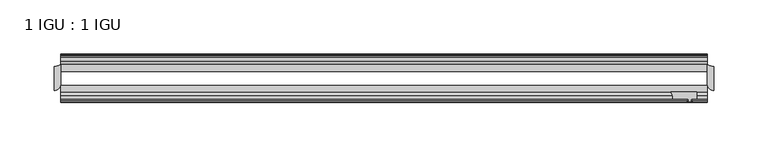
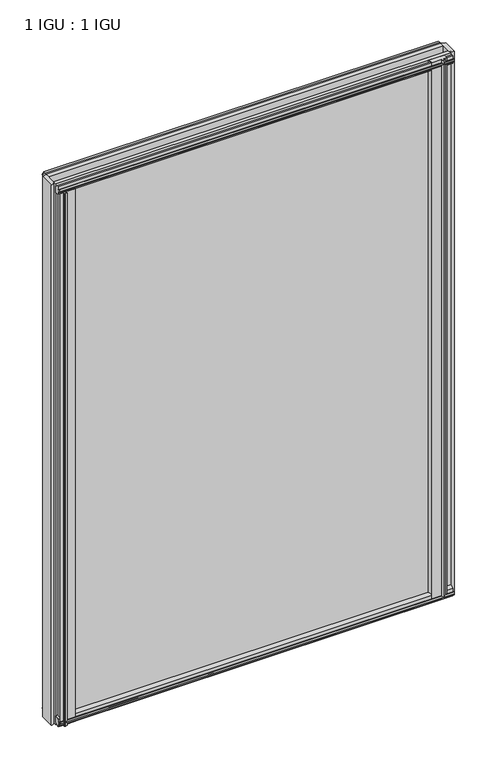
"""IFC4 building model written with IfcOpenShell, lengths in millimetres: plate geometry, 1 IGU : 1 IGU."""

import ifcopenshell
import ifcopenshell.guid

model = None  # the IFC model being written
_history = None  # IfcOwnerHistory: only IFC2X3 demands one
_inside = {}  # id of a spatial element -> (the spatial element, [elements in it])
_under = {}  # id of a project, library or spatial element -> (it, [spatial elements below it])
_declared = {}  # id of a project -> (the project, [libraries it declares])
_typed = {}  # id of a type object -> (the type object, [elements of that type])
_made_of = {}  # id of a material, layer set ... -> (it, [elements and type objects made of it])


def new_model(schema):
    """Start an empty IFC model of exactly this schema.

    Asked for "IFC4X3", IfcOpenShell would pick the latest addendum, in which some entities
    have other attributes; the version numbers below select the first issue.
    IFC2X3 requires an IfcOwnerHistory on every rooted entity: one is made here for all.
    """
    global model, _history
    if schema == "IFC4X3":
        model = ifcopenshell.file(schema_version=(4, 3, 0, 0))
    else:
        model = ifcopenshell.file(schema=schema)
    _inside.clear()
    _under.clear()
    _declared.clear()
    _typed.clear()
    _made_of.clear()
    _history = None
    if model.schema == "IFC2X3":
        org = make("IfcOrganization", Name="unknown")
        user = make(
            "IfcPersonAndOrganization",
            ThePerson=make("IfcPerson", FamilyName="unknown"),
            TheOrganization=org,
        )
        app = make(
            "IfcApplication",
            ApplicationDeveloper=org,
            Version="unknown",
            ApplicationFullName="unknown",
            ApplicationIdentifier="unknown",
        )
        _history = make(
            "IfcOwnerHistory",
            OwningUser=user,
            OwningApplication=app,
            ChangeAction="ADDED",
            CreationDate=0,
        )
    return model


def make(cls, **values):
    """One entity of the class cls with the attributes given. An attribute that is None is left unset."""
    return model.create_entity(
        cls, **{name: value for name, value in values.items() if value is not None}
    )


def rooted(cls, **values):
    """An entity with a GlobalId (a new one), such as an element, a storey or a relation."""
    return make(cls, GlobalId=ifcopenshell.guid.new(), OwnerHistory=_history, **values)


def si_unit(unit_type, name, prefix=None):
    """IfcSIUnit, for example si_unit("LENGTHUNIT", "METRE", prefix="MILLI")."""
    return make("IfcSIUnit", UnitType=unit_type, Prefix=prefix, Name=name)


def assignment(units):
    """IfcUnitAssignment: the units of a project."""
    return None if units is None else make("IfcUnitAssignment", Units=units)


def point(xyz):
    """IfcCartesianPoint."""
    return None if xyz is None else make("IfcCartesianPoint", Coordinates=xyz)


def direction(xyz):
    """IfcDirection."""
    return None if xyz is None else make("IfcDirection", DirectionRatios=xyz)


def frame(location, z_axis=None, x_axis=None):
    """IfcAxis2Placement3D, a coordinate frame: its origin and axes. An axis left out is left unset."""
    return make(
        "IfcAxis2Placement3D",
        Location=point(location),
        Axis=direction(z_axis),
        RefDirection=direction(x_axis),
    )


def frame_2d(location, x_axis=None):
    """IfcAxis2Placement2D, a coordinate frame in the plane: its origin and x axis."""
    return make(
        "IfcAxis2Placement2D", Location=point(location), RefDirection=direction(x_axis)
    )


def origin():
    """The frame at (0, 0, 0) with its axes left unset."""
    return frame((0.0, 0.0, 0.0))


def place(relative_to, where):
    """IfcLocalPlacement: puts the frame where relative to a parent placement (None: the world)."""
    return make(
        "IfcLocalPlacement", PlacementRelTo=relative_to, RelativePlacement=where
    )


def context(
    kind, dimensions, precision=None, world=None, true_north=None, identifier=None
):
    """IfcGeometricRepresentationContext, for example the 3D "Model" context."""
    return make(
        "IfcGeometricRepresentationContext",
        ContextIdentifier=identifier,
        ContextType=kind,
        CoordinateSpaceDimension=dimensions,
        Precision=precision,
        WorldCoordinateSystem=world,
        TrueNorth=true_north,
    )


def project(units=None, contexts=None):
    """IfcProject with its units and contexts."""
    return rooted(
        "IfcProject",
        Name="project",
        RepresentationContexts=contexts,
        UnitsInContext=assignment(units),
    )


def spatial(cls, under=None, at=None, **own):
    """A site, building, storey or space (cls), placed at a placement, below another one or the project."""
    s = rooted(cls, ObjectPlacement=at, **own)
    if under is not None:
        _under.setdefault(under.id(), (under, []))[1].append(s)
    return s


def polyline(points):
    """IfcPolyline through the points."""
    return make("IfcPolyline", Points=[point(p) for p in points])


def circle_curve(where, radius):
    """IfcCircle in the frame where."""
    return make("IfcCircle", Position=where, Radius=radius)


def trimmed(basis, trim1, trim2, sense, master):
    """IfcTrimmedCurve: the piece of a basis curve between two trims."""
    return make(
        "IfcTrimmedCurve",
        BasisCurve=basis,
        Trim1=trim1,
        Trim2=trim2,
        SenseAgreement=sense,
        MasterRepresentation=master,
    )


def segment(curve, same_sense, transition):
    """IfcCompositeCurveSegment."""
    return make(
        "IfcCompositeCurveSegment",
        Transition=transition,
        SameSense=same_sense,
        ParentCurve=curve,
    )


def composite_curve(segments, self_intersect=None):
    """IfcCompositeCurve: segments joined end to end."""
    return make("IfcCompositeCurve", Segments=segments, SelfIntersect=self_intersect)


def outline(outer, holes=None, kind="AREA"):
    """IfcArbitraryClosedProfileDef: a profile drawn as a closed curve; with holes, ...WithVoids."""
    if holes is None:
        return make("IfcArbitraryClosedProfileDef", ProfileType=kind, OuterCurve=outer)
    return make(
        "IfcArbitraryProfileDefWithVoids",
        ProfileType=kind,
        OuterCurve=outer,
        InnerCurves=holes,
    )


def extrude(swept, where, along, depth):
    """IfcExtrudedAreaSolid: the profile swept, set in the frame where, extruded along a direction by depth."""
    return make(
        "IfcExtrudedAreaSolid",
        SweptArea=swept,
        Position=where,
        ExtrudedDirection=direction(along),
        Depth=depth,
    )


def shape(context_of_items, identifier, shape_type, items):
    """IfcShapeRepresentation: the items that make up one representation, for example the "Body"."""
    return make(
        "IfcShapeRepresentation",
        ContextOfItems=context_of_items,
        RepresentationIdentifier=identifier,
        RepresentationType=shape_type,
        Items=items,
    )


def source(mapping_origin, context_of_items, identifier, shape_type, items):
    """IfcRepresentationMap: a shape defined once, which mapped items show again and again."""
    return make(
        "IfcRepresentationMap",
        MappingOrigin=mapping_origin,
        MappedRepresentation=shape(context_of_items, identifier, shape_type, items),
    )


def transform(
    local_origin,
    x_axis=None,
    y_axis=None,
    z_axis=None,
    scale=None,
    scale2=None,
    scale3=None,
    uniform=True,
):
    """IfcCartesianTransformationOperator3D, or its non-uniform kind. x_axis, y_axis, z_axis: its Axis1, 2, 3."""
    if uniform:
        return make(
            "IfcCartesianTransformationOperator3D",
            Axis1=direction(x_axis),
            Axis2=direction(y_axis),
            LocalOrigin=point(local_origin),
            Scale=scale,
            Axis3=direction(z_axis),
        )
    return make(
        "IfcCartesianTransformationOperator3DnonUniform",
        Axis1=direction(x_axis),
        Axis2=direction(y_axis),
        LocalOrigin=point(local_origin),
        Scale=scale,
        Axis3=direction(z_axis),
        Scale2=scale2,
        Scale3=scale3,
    )


def mapped(mapping_source, mapping_target):
    """IfcMappedItem: shows the shape of a source again, moved by a transform."""
    return make(
        "IfcMappedItem", MappingSource=mapping_source, MappingTarget=mapping_target
    )


def made_of(thing, what):
    """Note that an element or type object is made of a material, layer set ...; save() writes the relation."""
    if what is not None:
        _made_of.setdefault(what.id(), (what, []))[1].append(thing)
    return thing


def element(
    cls,
    number,
    at=None,
    inside=None,
    cuts=None,
    type_object=None,
    material=None,
    context=None,
    identifier="Body",
    shape_type=None,
    held_by="IfcProductDefinitionShape",
    body=None,
    shapes=None,
    **own,
):
    """One element of the class cls, such as IfcWall. Its Tag is "e" and its number.

    at: its placement. inside: the storey or other place that contains it. cuts: it is an
    opening in that element (IfcRelVoidsElement). A single representation is given by context,
    identifier, shape_type and body (its items); several are given by shapes. held_by: the class
    of the entity that holds the representations. save() writes the other relations.
    """
    e = rooted(cls, Tag="e%d" % number, ObjectPlacement=at, **own)
    if body is not None:
        shapes = [shape(context, identifier, shape_type, body)]
    if shapes is not None:
        e.Representation = make(held_by, Representations=shapes)
    if inside is not None:
        _inside.setdefault(inside.id(), (inside, []))[1].append(e)
    if cuts is not None:
        rooted(
            "IfcRelVoidsElement", RelatingBuildingElement=cuts, RelatedOpeningElement=e
        )
    if type_object is not None:
        _typed.setdefault(type_object.id(), (type_object, []))[1].append(e)
    return made_of(e, material)


def aggregate(whole, parts):
    """IfcRelAggregates: a whole, such as a stair, and the parts it consists of."""
    return rooted("IfcRelAggregates", RelatingObject=whole, RelatedObjects=parts)


def save(model, path):
    """Write the relations noted so far, then the file.

    IfcRelAggregates (storeys below a building ...), IfcRelContainedInSpatialStructure (elements
    in a storey), IfcRelDefinesByType, IfcRelAssociatesMaterial and IfcRelDeclares: one each for
    every whole, place, type object, material and project.
    """
    for whole, parts in _under.values():
        aggregate(whole, parts)
    for where, things in _inside.values():
        rooted(
            "IfcRelContainedInSpatialStructure",
            RelatedElements=things,
            RelatingStructure=where,
        )
    for kind, things in _typed.values():
        rooted("IfcRelDefinesByType", RelatedObjects=things, RelatingType=kind)
    for what, things in _made_of.values():
        rooted("IfcRelAssociatesMaterial", RelatedObjects=things, RelatingMaterial=what)
    for by, libraries in _declared.values():
        rooted("IfcRelDeclares", RelatingContext=by, RelatedDefinitions=libraries)
    model.write(path)


def plate_1_igu_1_igu_47eaaa21(model_context):
    return source(origin(), model_context, "Body", "SweptSolid", [
        extrude(outline(composite_curve([segment(trimmed(circle_curve(frame_2d((-304.8, -9.2004624)), 12.1389698), [point((-304.8, -21.3394322))], [point((-298.45, -19.5460937))], True, "CARTESIAN"), True, "CONTINUOUS"), segment(polyline([(-298.45, -19.5460937), (-298.45, -37.2144322)]), True, "CONTINUOUS"), segment(trimmed(circle_curve(frame_2d((-304.8, -37.2144322)), 6.35), [point((-298.45, -37.2144322))], [point((-304.8, -43.5644322))], False, "CARTESIAN"), True, "CONTINUOUS"), segment(polyline([(-304.8, -43.5644322), (-304.8, -21.3394322)]), True, "CONTINUOUS")], self_intersect=False)), frame((0.0, 0.0, -12.4587), z_axis=(0.0, 0.0, 1.0), x_axis=(1.0, 0.0, 0.0)), (0.0, 0.0, 1.0), 863.1174),
        extrude(outline(composite_curve([segment(polyline([(304.8, -21.3394322), (304.8, -43.5644322)]), True, "CONTINUOUS"), segment(trimmed(circle_curve(frame_2d((304.8, -37.2144322)), 6.35), [point((304.8, -43.5644322))], [point((298.45, -37.2144322))], False, "CARTESIAN"), True, "CONTINUOUS"), segment(polyline([(298.45, -37.2144322), (298.45, -19.5460938)]), True, "CONTINUOUS"), segment(trimmed(circle_curve(frame_2d((304.8, -9.2004624)), 12.1389698), [point((298.45, -19.5460938))], [point((304.8, -21.3394322))], True, "CARTESIAN"), True, "CONTINUOUS")], self_intersect=False)), frame((0.0, 0.0, -12.4587), z_axis=(0.0, 0.0, 1.0), x_axis=(1.0, 0.0, 0.0)), (0.0, 0.0, 1.0), 863.1174),
        extrude(outline(composite_curve([segment(polyline([(-295.275, -44.9460937), (-271.1867558, -44.9460937)]), True, "CONTINUOUS"), segment(trimmed(circle_curve(frame_2d((-264.2743721, -50.4227155)), 8.8189814), [point((-271.1867558, -44.9460937))], [point((-273.05, -51.2960937))], True, "CARTESIAN"), True, "CONTINUOUS"), segment(polyline([(-273.05, -51.2960937), (-287.655, -51.2960937), (-287.9725, -53.4006957), (-286.7538941, -53.0741712), (-286.5501, -53.8347412), (-288.925, -54.4710937), (-291.2999, -53.8347412), (-291.0961059, -53.0741712), (-289.8775, -53.4006957), (-290.195, -51.2960937), (-295.275, -51.2960937), (-295.275, -44.9460937)]), True, "CONTINUOUS")], self_intersect=False)), frame((0.0, 0.0, -12.4587), z_axis=(0.0, 0.0, 1.0), x_axis=(1.0, 0.0, 0.0)), (0.0, 0.0, 1.0), 850.4174),
        extrude(outline(composite_curve([segment(polyline([(264.8367558, -44.9460938), (288.925, -44.9460938), (288.925, -51.2960938), (283.845, -51.2960938), (283.5275, -53.4006957), (284.7461059, -53.0741712), (284.9499, -53.8347412), (282.575, -54.4710938), (280.2001, -53.8347412), (280.4038941, -53.0741712), (281.6225, -53.4006957), (281.305, -51.2960938), (266.7, -51.2960938)]), True, "CONTINUOUS"), segment(trimmed(circle_curve(frame_2d((257.9243721, -50.4227155)), 8.8189814), [point((266.7, -51.2960938))], [point((264.8367558, -44.9460938))], True, "CARTESIAN"), True, "CONTINUOUS")], self_intersect=False)), frame((0.0, 0.0, -9.0482291), z_axis=(0.0, 0.0, 1.0), x_axis=(1.0, 0.0, 0.0)), (0.0, 0.0, 1.0), 859.7069291),
        extrude(outline(polyline([(-10.4746158, -4.6931709), (-9.7670937, -6.8707), (-10.4746158, -9.0482291), (-11.27583, -9.0482291), (-10.8158968, -7.6327), (-13.1960937, -8.0137), (-13.1960937, -12.4587), (-16.1424937, -12.4587), (-19.5460937, -9.6243578), (-19.5460937, 1.1970181), (-13.1960937, -0.5207), (-13.1960937, -5.7277), (-10.8158968, -6.1087), (-11.27583, -4.6931709), (-10.4746158, -4.6931709)])), frame((-298.45, 0.0, 0.0), z_axis=(1.0, 0.0, 0.0), x_axis=(0.0, 1.0, 0.0)), (0.0, 0.0, 1.0), 596.9),
        extrude(outline(polyline([(-44.9460937, 1.7177181), (-44.9460937, -9.1036578), (-48.3496937, -11.938), (-51.2960937, -11.938), (-51.2960937, -7.493), (-53.6762907, -7.112), (-53.2163575, -8.5275291), (-54.0175717, -8.5275291), (-54.7250937, -6.35), (-54.0175717, -4.1724709), (-53.2163575, -4.1724709), (-53.6762907, -5.588), (-51.2960937, -5.207), (-51.2960937, 0.0), (-44.9460937, 1.7177181)])), frame((-298.45, 0.0, 0.0), z_axis=(1.0, 0.0, 0.0), x_axis=(0.0, 1.0, 0.0)), (0.0, 0.0, 1.0), 596.9),
        extrude(outline(polyline([(-10.8158968, 845.8327), (-11.27583, 847.2482291), (-10.4746158, 847.2482291), (-9.7670937, 845.0707), (-10.4746158, 842.8931709), (-11.27583, 842.8931709), (-10.8158968, 844.3087), (-13.1960937, 843.9277), (-13.1960937, 838.7207), (-19.5460938, 837.0029819), (-19.5460938, 847.8243578), (-16.1424937, 850.6587), (-13.1960937, 850.6587), (-13.1960937, 846.2137), (-10.8158968, 845.8327)])), frame((-298.45, 0.0, 0.0), z_axis=(1.0, 0.0, 0.0), x_axis=(0.0, 1.0, 0.0)), (0.0, 0.0, 1.0), 596.9),
        extrude(outline(polyline([(-51.2960937, 850.138), (-48.3496937, 850.138), (-44.9460938, 847.3036578), (-44.9460938, 836.4822819), (-51.2960937, 838.2), (-51.2960937, 843.407), (-53.6762907, 843.788), (-53.2163575, 842.3724709), (-54.0175717, 842.3724709), (-54.7250937, 844.55), (-54.0175717, 846.7275291), (-53.2163575, 846.7275291), (-53.6762907, 845.312), (-51.2960937, 845.693), (-51.2960937, 850.138)])), frame((-298.45, 0.0, 0.0), z_axis=(1.0, 0.0, 0.0), x_axis=(0.0, 1.0, 0.0)), (0.0, 0.0, 1.0), 596.9),
        extrude(outline(polyline([(-298.45, -38.9186738), (298.45, -38.9186738), (298.45, -44.9460937), (-298.45, -44.9460937), (-298.45, -38.9186738)])), frame((0.0, 0.0, -12.7), z_axis=(0.0, 0.0, 1.0), x_axis=(1.0, 0.0, 0.0)), (0.0, 0.0, 1.0), 863.6),
        extrude(outline(polyline([(-298.45, -19.5460937), (298.45, -19.5460937), (298.45, -25.8960938), (-298.45, -25.8960938), (-298.45, -19.5460937)])), frame((0.0, 0.0, -12.7), z_axis=(0.0, 0.0, 1.0), x_axis=(1.0, 0.0, 0.0)), (0.0, 0.0, 1.0), 863.6),
    ])


if __name__ == "__main__":
    model = new_model("IFC4")
    model_context = context("Model", 3, world=origin())
    ifc_project = project(units=[si_unit("LENGTHUNIT", "METRE", prefix="MILLI")], contexts=[model_context])
    site = spatial("IfcSite", under=ifc_project)
    building = spatial("IfcBuilding", under=site)
    placement = place(None, origin())
    plate_1_igu_1_igu_shape = plate_1_igu_1_igu_47eaaa21(model_context)
    element("IfcPlate", 1, ObjectType="1 IGU : 1 IGU", at=placement, inside=building, context=model_context, shape_type="MappedRepresentation", body=[
        mapped(plate_1_igu_1_igu_shape, transform((0.0, 0.0, 0.0), x_axis=(1.0, 0.0, 0.0), y_axis=(0.0, 1.0, 0.0), z_axis=(0.0, 0.0, 1.0))),
    ])
    save(model, "model.ifc")
